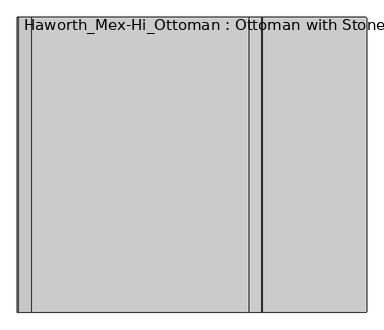
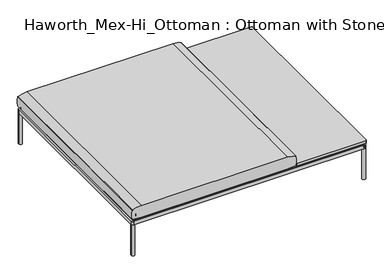
"""IFC4 building model written with IfcOpenShell, lengths in millimetres: furniture geometry, Haworth_Mex-Hi_Ottoman : Ottoman with Stone Top."""

from ifc_helpers import new_model, si_unit, point, frame, frame_2d, origin, origin_with_axes, place, context, project, spatial, polyline, circle_curve, trimmed, segment, composite_curve, outline, extrude, source, transform, mapped, element, save
from ifc_brep_helpers import plane_surface, cylinder_surface, advanced_brep


def haworth_mex_hi_ottoman_ottoman_with_stone_top_fe8f8da9(model_context):
    return source(origin(), model_context, "Body", "SolidModel", [
        extrude(outline(composite_curve([segment(trimmed(circle_curve(frame_2d((492.2547118, 255.27)), 2.54), [point((492.2547118, 257.81))], [point((494.7947118, 255.27))], False, "CARTESIAN"), True, "CONTINUOUS"), segment(polyline([(494.7947118, 255.27), (494.7947118, -839.47)]), True, "CONTINUOUS"), segment(trimmed(circle_curve(frame_2d((492.2547118, -839.47)), 2.54), [point((494.7947118, -839.47))], [point((492.2547118, -842.01))], False, "CARTESIAN"), True, "CONTINUOUS"), segment(polyline([(492.2547118, -842.01), (108.7147118, -842.01)]), True, "CONTINUOUS"), segment(trimmed(circle_curve(frame_2d((108.7147118, -839.47)), 2.54), [point((108.7147118, -842.01))], [point((106.1747118, -839.47))], False, "CARTESIAN"), True, "CONTINUOUS"), segment(polyline([(106.1747118, -839.47), (106.1747118, 255.27)]), True, "CONTINUOUS"), segment(trimmed(circle_curve(frame_2d((108.7147118, 255.27)), 2.54), [point((106.1747118, 255.27))], [point((108.7147118, 257.81))], False, "CARTESIAN"), True, "CONTINUOUS"), segment(polyline([(108.7147118, 257.81), (492.2547118, 257.81)]), True, "CONTINUOUS")], self_intersect=False)), frame((0.0, 0.0, 210.5022953), z_axis=(0.0, 0.0, 1.0), x_axis=(1.0, 0.0, 0.0)), (0.0, 0.0, 1.0), 15.2403071),
        extrude(outline(composite_curve([segment(trimmed(circle_curve(frame_2d((196.9469907, 169.6010815)), 4.010989), [point((192.9360018, 169.6010815))], [point((200.9579797, 169.6010815))], False, "CARTESIAN"), True, "CONTINUOUS"), segment(trimmed(circle_curve(frame_2d((196.9469907, 169.6010815)), 4.010989), [point((200.9579797, 169.6010815))], [point((192.9360018, 169.6010815))], False, "CARTESIAN"), True, "CONTINUOUS")], self_intersect=False)), frame((0.0, 0.0, 170.7645404), z_axis=(0.0, 0.0, 1.0), x_axis=(1.0, 0.0, 0.0)), (0.0, 0.0, 1.0), 38.5977894),
        extrude(outline(composite_curve([segment(trimmed(circle_curve(frame_2d((-3.1055663, 169.5794929)), 4.010989), [point((-7.1165553, 169.5794929))], [point((0.9054227, 169.5794929))], False, "CARTESIAN"), True, "CONTINUOUS"), segment(trimmed(circle_curve(frame_2d((-3.1055663, 169.5794929)), 4.010989), [point((0.9054227, 169.5794929))], [point((-7.1165553, 169.5794929))], False, "CARTESIAN"), True, "CONTINUOUS")], self_intersect=False)), frame((0.0, 0.0, 170.7645404), z_axis=(0.0, 0.0, 1.0), x_axis=(1.0, 0.0, 0.0)), (0.0, 0.0, 1.0), 38.5977894),
        extrude(outline(composite_curve([segment(trimmed(circle_curve(frame_2d((-3.1055663, -754.4437022)), 4.010989), [point((-7.1165553, -754.4437022))], [point((0.9054227, -754.4437022))], False, "CARTESIAN"), True, "CONTINUOUS"), segment(trimmed(circle_curve(frame_2d((-3.1055663, -754.4437022)), 4.010989), [point((0.9054227, -754.4437022))], [point((-7.1165553, -754.4437022))], False, "CARTESIAN"), True, "CONTINUOUS")], self_intersect=False)), frame((0.0, 0.0, 170.7645404), z_axis=(0.0, 0.0, 1.0), x_axis=(1.0, 0.0, 0.0)), (0.0, 0.0, 1.0), 38.5977894),
        extrude(outline(composite_curve([segment(trimmed(circle_curve(frame_2d((196.9593077, -754.4437022)), 4.010989), [point((192.9483187, -754.4437022))], [point((200.9702967, -754.4437022))], False, "CARTESIAN"), True, "CONTINUOUS"), segment(trimmed(circle_curve(frame_2d((196.9593077, -754.4437022)), 4.010989), [point((200.9702967, -754.4437022))], [point((192.9483187, -754.4437022))], False, "CARTESIAN"), True, "CONTINUOUS")], self_intersect=False)), frame((0.0, 0.0, 170.7645404), z_axis=(0.0, 0.0, 1.0), x_axis=(1.0, 0.0, 0.0)), (0.0, 0.0, 1.0), 38.5977894),
        extrude(outline(composite_curve([segment(trimmed(circle_curve(frame_2d((196.9469907, -754.4095964)), 9.4611539), [point((187.4858368, -754.4095964))], [point((206.4081446, -754.4095964))], False, "CARTESIAN"), True, "CONTINUOUS"), segment(trimmed(circle_curve(frame_2d((196.9469907, -754.4095964)), 9.4611539), [point((206.4081446, -754.4095964))], [point((187.4858368, -754.4095964))], False, "CARTESIAN"), True, "CONTINUOUS")], self_intersect=False)), frame((0.0, 0.0, 200.6638055), z_axis=(0.0, 0.0, 1.0), x_axis=(1.0, 0.0, 0.0)), (0.0, 0.0, 1.0), 5.2496237),
        extrude(outline(composite_curve([segment(trimmed(circle_curve(frame_2d((-3.0530108, -754.3457503)), 9.4611539), [point((-12.5141647, -754.3457503))], [point((6.4081431, -754.3457503))], False, "CARTESIAN"), True, "CONTINUOUS"), segment(trimmed(circle_curve(frame_2d((-3.0530108, -754.3457503)), 9.4611539), [point((6.4081431, -754.3457503))], [point((-12.5141647, -754.3457503))], False, "CARTESIAN"), True, "CONTINUOUS")], self_intersect=False)), frame((0.0, 0.0, 200.6638055), z_axis=(0.0, 0.0, 1.0), x_axis=(1.0, 0.0, 0.0)), (0.0, 0.0, 1.0), 5.2496237),
        extrude(outline(composite_curve([segment(trimmed(circle_curve(frame_2d((-3.0530108, 169.6649276)), 9.4611539), [point((-12.5141647, 169.6649276))], [point((6.4081431, 169.6649276))], False, "CARTESIAN"), True, "CONTINUOUS"), segment(trimmed(circle_curve(frame_2d((-3.0530108, 169.6649276)), 9.4611539), [point((6.4081431, 169.6649276))], [point((-12.5141647, 169.6649276))], False, "CARTESIAN"), True, "CONTINUOUS")], self_intersect=False)), frame((0.0, 0.0, 200.6638055), z_axis=(0.0, 0.0, 1.0), x_axis=(1.0, 0.0, 0.0)), (0.0, 0.0, 1.0), 5.2496237),
        extrude(outline(composite_curve([segment(trimmed(circle_curve(frame_2d((196.9469907, 169.6649276)), 9.4611539), [point((187.4858368, 169.6649276))], [point((206.4081446, 169.6649276))], False, "CARTESIAN"), True, "CONTINUOUS"), segment(trimmed(circle_curve(frame_2d((196.9469907, 169.6649276)), 9.4611539), [point((206.4081446, 169.6649276))], [point((187.4858368, 169.6649276))], False, "CARTESIAN"), True, "CONTINUOUS")], self_intersect=False)), frame((0.0, 0.0, 200.6638055), z_axis=(0.0, 0.0, 1.0), x_axis=(1.0, 0.0, 0.0)), (0.0, 0.0, 1.0), 5.2496237),
        extrude(outline(composite_curve([segment(trimmed(circle_curve(frame_2d((196.9469907, -754.4095964)), 9.4611539), [point((187.4858368, -754.4095964))], [point((206.4081446, -754.4095964))], False, "CARTESIAN"), True, "CONTINUOUS"), segment(trimmed(circle_curve(frame_2d((196.9469907, -754.4095964)), 9.4611539), [point((206.4081446, -754.4095964))], [point((187.4858368, -754.4095964))], False, "CARTESIAN"), True, "CONTINUOUS")], self_intersect=False)), frame((0.0, 0.0, 175.5804905), z_axis=(0.0, 0.0, 1.0), x_axis=(1.0, 0.0, 0.0)), (0.0, 0.0, 1.0), 5.2496237),
        extrude(outline(composite_curve([segment(trimmed(circle_curve(frame_2d((-3.0530108, -754.3457503)), 9.4611539), [point((-12.5141647, -754.3457503))], [point((6.4081431, -754.3457503))], False, "CARTESIAN"), True, "CONTINUOUS"), segment(trimmed(circle_curve(frame_2d((-3.0530108, -754.3457503)), 9.4611539), [point((6.4081431, -754.3457503))], [point((-12.5141647, -754.3457503))], False, "CARTESIAN"), True, "CONTINUOUS")], self_intersect=False)), frame((0.0, 0.0, 175.5804905), z_axis=(0.0, 0.0, 1.0), x_axis=(1.0, 0.0, 0.0)), (0.0, 0.0, 1.0), 5.2496237),
        extrude(outline(composite_curve([segment(trimmed(circle_curve(frame_2d((-3.0530108, 169.6649276)), 9.4611539), [point((-12.5141647, 169.6649276))], [point((6.4081431, 169.6649276))], False, "CARTESIAN"), True, "CONTINUOUS"), segment(trimmed(circle_curve(frame_2d((-3.0530108, 169.6649276)), 9.4611539), [point((6.4081431, 169.6649276))], [point((-12.5141647, 169.6649276))], False, "CARTESIAN"), True, "CONTINUOUS")], self_intersect=False)), frame((0.0, 0.0, 175.5804905), z_axis=(0.0, 0.0, 1.0), x_axis=(1.0, 0.0, 0.0)), (0.0, 0.0, 1.0), 5.2496237),
        extrude(outline(composite_curve([segment(trimmed(circle_curve(frame_2d((196.9469907, 169.6649276)), 9.4611539), [point((187.4858368, 169.6649276))], [point((206.4081446, 169.6649276))], False, "CARTESIAN"), True, "CONTINUOUS"), segment(trimmed(circle_curve(frame_2d((196.9469907, 169.6649276)), 9.4611539), [point((206.4081446, 169.6649276))], [point((187.4858368, 169.6649276))], False, "CARTESIAN"), True, "CONTINUOUS")], self_intersect=False)), frame((0.0, 0.0, 175.5804905), z_axis=(0.0, 0.0, 1.0), x_axis=(1.0, 0.0, 0.0)), (0.0, 0.0, 1.0), 5.2496237),
        extrude(outline(composite_curve([segment(trimmed(circle_curve(frame_2d((196.7916573, 122.4736534)), 36.0166924), [point((212.7435269, 154.7651382))], [point((180.8397877, 154.7651382))], True, "CARTESIAN"), True, "CONTINUOUS"), segment(trimmed(circle_curve(frame_2d((180.5081653, 155.6702968)), 0.9639946), [point((180.8397877, 154.7651382))], [point((179.7634816, 155.0581436))], False, "CARTESIAN"), True, "CONTINUOUS"), segment(trimmed(circle_curve(frame_2d((199.6873534, 171.4361863)), 25.79149), [point((179.7634816, 155.0581436))], [point((175.5416164, 162.3706285))], False, "CARTESIAN"), True, "CONTINUOUS"), segment(trimmed(circle_curve(frame_2d((176.4514144, 162.7122137)), 0.971809), [point((175.5416164, 162.3706285))], [point((175.9386844, 163.5377564))], False, "CARTESIAN"), True, "CONTINUOUS"), segment(trimmed(circle_curve(frame_2d((156.3690008, 193.1030042)), 35.4552732), [point((175.9386844, 163.5377564))], [point((191.7580983, 190.9377849))], True, "CARTESIAN"), True, "CONTINUOUS"), segment(trimmed(circle_curve(frame_2d((192.7780635, 190.8643155)), 1.0226079), [point((191.7580983, 190.9377849))], [point((192.5690953, 191.8653446))], False, "CARTESIAN"), True, "CONTINUOUS"), segment(trimmed(circle_curve(frame_2d((196.7916573, 171.6378378)), 20.6635442), [point((192.5690953, 191.8653446))], [point((201.0142193, 191.8653446))], False, "CARTESIAN"), True, "CONTINUOUS"), segment(trimmed(circle_curve(frame_2d((200.805337, 190.8647274)), 1.0221871), [point((201.0142193, 191.8653446))], [point((201.8248918, 190.9380379))], False, "CARTESIAN"), True, "CONTINUOUS"), segment(trimmed(circle_curve(frame_2d((237.9646471, 193.536646)), 36.2330605), [point((201.8248918, 190.9380379))], [point((217.6443089, 163.5380039))], True, "CARTESIAN"), True, "CONTINUOUS"), segment(trimmed(circle_curve(frame_2d((217.0702859, 162.6905815)), 1.0235365), [point((217.6443089, 163.5380039))], [point((218.045337, 162.3792898))], False, "CARTESIAN"), True, "CONTINUOUS"), segment(trimmed(circle_curve(frame_2d((194.579629, 171.0425348)), 25.0138214), [point((218.045337, 162.3792898))], [point((213.8150733, 155.0522582))], False, "CARTESIAN"), True, "CONTINUOUS"), segment(trimmed(circle_curve(frame_2d((213.115827, 155.518788)), 0.8405923), [point((213.8150733, 155.0522582))], [point((212.7435269, 154.7651382))], False, "CARTESIAN"), True, "CONTINUOUS")], self_intersect=False)), frame((0.0, 0.0, 165.7894444), z_axis=(0.0, 0.0, 1.0), x_axis=(1.0, 0.0, 0.0)), (0.0, 0.0, 1.0), 9.7910462),
        extrude(outline(composite_curve([segment(trimmed(circle_curve(frame_2d((-3.0530108, 122.2288136)), 36.0166924), [point((12.8988588, 154.5202984))], [point((-19.0048804, 154.5202984))], True, "CARTESIAN"), True, "CONTINUOUS"), segment(trimmed(circle_curve(frame_2d((-19.3365028, 155.425457)), 0.9639946), [point((-19.0048804, 154.5202984))], [point((-20.0811865, 154.8133038))], False, "CARTESIAN"), True, "CONTINUOUS"), segment(trimmed(circle_curve(frame_2d((-0.1573146, 171.1913465)), 25.79149), [point((-20.0811865, 154.8133038))], [point((-24.3030517, 162.1257887))], False, "CARTESIAN"), True, "CONTINUOUS"), segment(trimmed(circle_curve(frame_2d((-23.3932537, 162.4673739)), 0.971809), [point((-24.3030517, 162.1257887))], [point((-23.9059837, 163.2929166))], False, "CARTESIAN"), True, "CONTINUOUS"), segment(trimmed(circle_curve(frame_2d((-43.4756673, 192.8581644)), 35.4552732), [point((-23.9059837, 163.2929166))], [point((-8.0865698, 190.6929451))], True, "CARTESIAN"), True, "CONTINUOUS"), segment(trimmed(circle_curve(frame_2d((-7.0666045, 190.6194757)), 1.0226079), [point((-8.0865698, 190.6929451))], [point((-7.2755728, 191.6205048))], False, "CARTESIAN"), True, "CONTINUOUS"), segment(trimmed(circle_curve(frame_2d((-3.0530108, 171.392998)), 20.6635442), [point((-7.2755728, 191.6205048))], [point((1.1695512, 191.6205048))], False, "CARTESIAN"), True, "CONTINUOUS"), segment(trimmed(circle_curve(frame_2d((0.960669, 190.6198877)), 1.0221871), [point((1.1695512, 191.6205048))], [point((1.9802238, 190.6931981))], False, "CARTESIAN"), True, "CONTINUOUS"), segment(trimmed(circle_curve(frame_2d((38.119979, 193.2918062)), 36.2330605), [point((1.9802238, 190.6931981))], [point((17.7996408, 163.2931641))], True, "CARTESIAN"), True, "CONTINUOUS"), segment(trimmed(circle_curve(frame_2d((17.2256179, 162.4457417)), 1.0235365), [point((17.7996408, 163.2931641))], [point((18.2006689, 162.13445))], False, "CARTESIAN"), True, "CONTINUOUS"), segment(trimmed(circle_curve(frame_2d((-5.265039, 170.797695)), 25.0138214), [point((18.2006689, 162.13445))], [point((13.9704052, 154.8074184))], False, "CARTESIAN"), True, "CONTINUOUS"), segment(trimmed(circle_curve(frame_2d((13.2711589, 155.2739482)), 0.8405923), [point((13.9704052, 154.8074184))], [point((12.8988588, 154.5202984))], False, "CARTESIAN"), True, "CONTINUOUS")], self_intersect=False)), frame((0.0, 0.0, 165.7894444), z_axis=(0.0, 0.0, 1.0), x_axis=(1.0, 0.0, 0.0)), (0.0, 0.0, 1.0), 9.7910462),
        extrude(outline(composite_curve([segment(trimmed(circle_curve(frame_2d((-3.0530108, -801.7818643)), 36.0166924), [point((12.8988588, -769.4903795))], [point((-19.0048804, -769.4903795))], True, "CARTESIAN"), True, "CONTINUOUS"), segment(trimmed(circle_curve(frame_2d((-19.3365028, -768.5852209)), 0.9639946), [point((-19.0048804, -769.4903795))], [point((-20.0811865, -769.1973741))], False, "CARTESIAN"), True, "CONTINUOUS"), segment(trimmed(circle_curve(frame_2d((-0.1573146, -752.8193314)), 25.79149), [point((-20.0811865, -769.1973741))], [point((-24.3030517, -761.8848892))], False, "CARTESIAN"), True, "CONTINUOUS"), segment(trimmed(circle_curve(frame_2d((-23.3932537, -761.543304)), 0.971809), [point((-24.3030517, -761.8848892))], [point((-23.9059837, -760.7177613))], False, "CARTESIAN"), True, "CONTINUOUS"), segment(trimmed(circle_curve(frame_2d((-43.4756673, -731.1525135)), 35.4552732), [point((-23.9059837, -760.7177613))], [point((-8.0865698, -733.3177328))], True, "CARTESIAN"), True, "CONTINUOUS"), segment(trimmed(circle_curve(frame_2d((-7.0666045, -733.3912022)), 1.0226079), [point((-8.0865698, -733.3177328))], [point((-7.2755728, -732.3901731))], False, "CARTESIAN"), True, "CONTINUOUS"), segment(trimmed(circle_curve(frame_2d((-3.0530108, -752.6176799)), 20.6635442), [point((-7.2755728, -732.3901731))], [point((1.1695512, -732.3901731))], False, "CARTESIAN"), True, "CONTINUOUS"), segment(trimmed(circle_curve(frame_2d((0.960669, -733.3907903)), 1.0221871), [point((1.1695512, -732.3901731))], [point((1.9802238, -733.3174798))], False, "CARTESIAN"), True, "CONTINUOUS"), segment(trimmed(circle_curve(frame_2d((38.119979, -730.7188717)), 36.2330605), [point((1.9802238, -733.3174798))], [point((17.7996408, -760.7175138))], True, "CARTESIAN"), True, "CONTINUOUS"), segment(trimmed(circle_curve(frame_2d((17.2256179, -761.5649362)), 1.0235365), [point((17.7996408, -760.7175138))], [point((18.2006689, -761.8762279))], False, "CARTESIAN"), True, "CONTINUOUS"), segment(trimmed(circle_curve(frame_2d((-5.265039, -753.2129829)), 25.0138214), [point((18.2006689, -761.8762279))], [point((13.9704052, -769.2032595))], False, "CARTESIAN"), True, "CONTINUOUS"), segment(trimmed(circle_curve(frame_2d((13.2711589, -768.7367297)), 0.8405923), [point((13.9704052, -769.2032595))], [point((12.8988588, -769.4903795))], False, "CARTESIAN"), True, "CONTINUOUS")], self_intersect=False)), frame((0.0, 0.0, 165.7894444), z_axis=(0.0, 0.0, 1.0), x_axis=(1.0, 0.0, 0.0)), (0.0, 0.0, 1.0), 9.7910462),
        extrude(outline(composite_curve([segment(trimmed(circle_curve(frame_2d((196.9469907, -801.7818643)), 36.0166924), [point((212.8988603, -769.4903795))], [point((180.9951211, -769.4903795))], True, "CARTESIAN"), True, "CONTINUOUS"), segment(trimmed(circle_curve(frame_2d((180.6634988, -768.5852209)), 0.9639946), [point((180.9951211, -769.4903795))], [point((179.918815, -769.1973741))], False, "CARTESIAN"), True, "CONTINUOUS"), segment(trimmed(circle_curve(frame_2d((199.8426869, -752.8193314)), 25.79149), [point((179.918815, -769.1973741))], [point((175.6969499, -761.8848892))], False, "CARTESIAN"), True, "CONTINUOUS"), segment(trimmed(circle_curve(frame_2d((176.6067478, -761.543304)), 0.971809), [point((175.6969499, -761.8848892))], [point((176.0940178, -760.7177613))], False, "CARTESIAN"), True, "CONTINUOUS"), segment(trimmed(circle_curve(frame_2d((156.5243342, -731.1525135)), 35.4552732), [point((176.0940178, -760.7177613))], [point((191.9134317, -733.3177328))], True, "CARTESIAN"), True, "CONTINUOUS"), segment(trimmed(circle_curve(frame_2d((192.933397, -733.3912022)), 1.0226079), [point((191.9134317, -733.3177328))], [point((192.7244287, -732.3901731))], False, "CARTESIAN"), True, "CONTINUOUS"), segment(trimmed(circle_curve(frame_2d((196.9469907, -752.6176799)), 20.6635442), [point((192.7244287, -732.3901731))], [point((201.1695528, -732.3901731))], False, "CARTESIAN"), True, "CONTINUOUS"), segment(trimmed(circle_curve(frame_2d((200.9606705, -733.3907903)), 1.0221871), [point((201.1695528, -732.3901731))], [point((201.9802253, -733.3174798))], False, "CARTESIAN"), True, "CONTINUOUS"), segment(trimmed(circle_curve(frame_2d((238.1199805, -730.7188717)), 36.2330605), [point((201.9802253, -733.3174798))], [point((217.7996423, -760.7175138))], True, "CARTESIAN"), True, "CONTINUOUS"), segment(trimmed(circle_curve(frame_2d((217.2256194, -761.5649362)), 1.0235365), [point((217.7996423, -760.7175138))], [point((218.2006704, -761.8762279))], False, "CARTESIAN"), True, "CONTINUOUS"), segment(trimmed(circle_curve(frame_2d((194.7349625, -753.2129829)), 25.0138214), [point((218.2006704, -761.8762279))], [point((213.9704067, -769.2032595))], False, "CARTESIAN"), True, "CONTINUOUS"), segment(trimmed(circle_curve(frame_2d((213.2711605, -768.7367297)), 0.8405923), [point((213.9704067, -769.2032595))], [point((212.8988603, -769.4903795))], False, "CARTESIAN"), True, "CONTINUOUS")], self_intersect=False)), frame((0.0, 0.0, 165.7894444), z_axis=(0.0, 0.0, 1.0), x_axis=(1.0, 0.0, 0.0)), (0.0, 0.0, 1.0), 9.7910462),
        extrude(outline(composite_curve([segment(trimmed(circle_curve(frame_2d((-793.7438099, 245.8600121)), 1.9413078), [point((-795.6851177, 245.8600121))], [point((-793.7438099, 247.8013198))], False, "CARTESIAN"), True, "CONTINUOUS"), segment(polyline([(-793.7438099, 247.8013198), (482.7909315, 247.8013198)]), True, "CONTINUOUS"), segment(trimmed(circle_curve(frame_2d((482.7909315, 245.7941911)), 2.0071288), [point((482.7909315, 247.8013198))], [point((484.7980603, 245.7941911))], False, "CARTESIAN"), True, "CONTINUOUS"), segment(polyline([(484.7980603, 245.7941911), (484.7980603, -830.0202885)]), True, "CONTINUOUS"), segment(trimmed(circle_curve(frame_2d((482.7963356, -830.0202885)), 2.0017246), [point((484.7980603, -830.0202885))], [point((482.7963356, -832.0220131))], False, "CARTESIAN"), True, "CONTINUOUS"), segment(polyline([(482.7963356, -832.0220131), (-793.6865391, -832.0220131)]), True, "CONTINUOUS"), segment(trimmed(circle_curve(frame_2d((-793.6865391, -830.0234345)), 1.9985786), [point((-793.6865391, -832.0220131))], [point((-795.6851177, -830.0234345))], False, "CARTESIAN"), True, "CONTINUOUS"), segment(polyline([(-795.6851177, -830.0234345), (-795.6851177, 245.8600121)]), True, "CONTINUOUS")], self_intersect=False)), frame((0.0, 0.0, 200.6639327), z_axis=(0.0, 0.0, 1.0), x_axis=(1.0, 0.0, 0.0)), (0.0, 0.0, 1.0), 8.6983971),
        extrude(outline(composite_curve([segment(trimmed(circle_curve(frame_2d((-734.5485908, -768.4918899)), 0.8405923), [point((-734.1762907, -769.2455397))], [point((-735.2478371, -768.9584197))], False, "CARTESIAN"), True, "CONTINUOUS"), segment(trimmed(circle_curve(frame_2d((-716.0123929, -752.9681431)), 25.0138214), [point((-735.2478371, -768.9584197))], [point((-739.4781008, -761.6313881))], False, "CARTESIAN"), True, "CONTINUOUS"), segment(trimmed(circle_curve(frame_2d((-738.5030497, -761.3200964)), 1.0235365), [point((-739.4781008, -761.6313881))], [point((-739.0770727, -760.472674))], False, "CARTESIAN"), True, "CONTINUOUS"), segment(trimmed(circle_curve(frame_2d((-759.3974109, -730.4740319)), 36.2330605), [point((-739.0770727, -760.472674))], [point((-723.2576556, -733.07264))], True, "CARTESIAN"), True, "CONTINUOUS"), segment(trimmed(circle_curve(frame_2d((-722.2381008, -733.1459505)), 1.0221871), [point((-723.2576556, -733.07264))], [point((-722.4469831, -732.1453333))], False, "CARTESIAN"), True, "CONTINUOUS"), segment(trimmed(circle_curve(frame_2d((-718.2244211, -752.3728401)), 20.6635442), [point((-722.4469831, -732.1453333))], [point((-714.0018591, -732.1453333))], False, "CARTESIAN"), True, "CONTINUOUS"), segment(trimmed(circle_curve(frame_2d((-714.2108273, -733.1463624)), 1.0226079), [point((-714.0018591, -732.1453333))], [point((-713.1908621, -733.072893))], False, "CARTESIAN"), True, "CONTINUOUS"), segment(trimmed(circle_curve(frame_2d((-677.8017646, -730.9076737)), 35.4552732), [point((-713.1908621, -733.072893))], [point((-697.3714482, -760.4729215))], True, "CARTESIAN"), True, "CONTINUOUS"), segment(trimmed(circle_curve(frame_2d((-697.8841782, -761.2984642)), 0.971809), [point((-697.3714482, -760.4729215))], [point((-696.9743802, -761.6400494))], False, "CARTESIAN"), True, "CONTINUOUS"), segment(trimmed(circle_curve(frame_2d((-721.1201172, -752.5744916)), 25.79149), [point((-696.9743802, -761.6400494))], [point((-701.1962454, -768.9525343))], False, "CARTESIAN"), True, "CONTINUOUS"), segment(trimmed(circle_curve(frame_2d((-701.9409291, -768.3403811)), 0.9639946), [point((-701.1962454, -768.9525343))], [point((-702.2725515, -769.2455397))], False, "CARTESIAN"), True, "CONTINUOUS"), segment(trimmed(circle_curve(frame_2d((-718.2244211, -801.5370245)), 36.0166924), [point((-702.2725515, -769.2455397))], [point((-734.1762907, -769.2455397))], True, "CARTESIAN"), True, "CONTINUOUS")], self_intersect=False)), frame((0.0, 0.0, 165.7894444), z_axis=(0.0, 0.0, 1.0), x_axis=(1.0, 0.0, 0.0)), (0.0, 0.0, 1.0), 9.7910462),
        extrude(outline(composite_curve([segment(trimmed(circle_curve(frame_2d((-718.2242758, -754.2455832)), 3.9922173), [point((-714.2320585, -754.2455832))], [point((-722.216493, -754.2455832))], False, "CARTESIAN"), True, "CONTINUOUS"), segment(trimmed(circle_curve(frame_2d((-718.2242758, -754.2455832)), 3.9922173), [point((-722.216493, -754.2455832))], [point((-714.2320585, -754.2455832))], False, "CARTESIAN"), True, "CONTINUOUS")], self_intersect=False)), frame((0.0, 0.0, 170.7645404), z_axis=(0.0, 0.0, 1.0), x_axis=(1.0, 0.0, 0.0)), (0.0, 0.0, 1.0), 38.5901772),
        extrude(outline(composite_curve([segment(trimmed(circle_curve(frame_2d((-718.2242758, -754.2455832)), 9.4525726), [point((-708.7717031, -754.2455832))], [point((-727.6768484, -754.2455832))], False, "CARTESIAN"), True, "CONTINUOUS"), segment(trimmed(circle_curve(frame_2d((-718.2242758, -754.2455832)), 9.4525726), [point((-727.6768484, -754.2455832))], [point((-708.7717031, -754.2455832))], False, "CARTESIAN"), True, "CONTINUOUS")], self_intersect=False)), frame((0.0, 0.0, 200.6639145), z_axis=(0.0, 0.0, 1.0), x_axis=(1.0, 0.0, 0.0)), (0.0, 0.0, 1.0), 5.0787766),
        extrude(outline(composite_curve([segment(trimmed(circle_curve(frame_2d((-718.2242758, -754.2455832)), 9.4525726), [point((-708.7717031, -754.2455832))], [point((-727.6768484, -754.2455832))], False, "CARTESIAN"), True, "CONTINUOUS"), segment(trimmed(circle_curve(frame_2d((-718.2242758, -754.2455832)), 9.4525726), [point((-727.6768484, -754.2455832))], [point((-708.7717031, -754.2455832))], False, "CARTESIAN"), True, "CONTINUOUS")], self_intersect=False)), frame((0.0, 0.0, 175.5804905), z_axis=(0.0, 0.0, 1.0), x_axis=(1.0, 0.0, 0.0)), (0.0, 0.0, 1.0), 5.0787766),
        extrude(outline(composite_curve([segment(trimmed(circle_curve(frame_2d((396.8166573, -801.5370245)), 36.0166924), [point((412.7685269, -769.2455397))], [point((380.8647877, -769.2455397))], True, "CARTESIAN"), True, "CONTINUOUS"), segment(trimmed(circle_curve(frame_2d((380.5331653, -768.3403811)), 0.9639946), [point((380.8647877, -769.2455397))], [point((379.7884816, -768.9525343))], False, "CARTESIAN"), True, "CONTINUOUS"), segment(trimmed(circle_curve(frame_2d((399.7123534, -752.5744916)), 25.79149), [point((379.7884816, -768.9525343))], [point((375.5666164, -761.6400494))], False, "CARTESIAN"), True, "CONTINUOUS"), segment(trimmed(circle_curve(frame_2d((376.4764144, -761.2984642)), 0.971809), [point((375.5666164, -761.6400494))], [point((375.9636844, -760.4729215))], False, "CARTESIAN"), True, "CONTINUOUS"), segment(trimmed(circle_curve(frame_2d((356.3940008, -730.9076737)), 35.4552732), [point((375.9636844, -760.4729215))], [point((391.7830983, -733.072893))], True, "CARTESIAN"), True, "CONTINUOUS"), segment(trimmed(circle_curve(frame_2d((392.8030635, -733.1463624)), 1.0226079), [point((391.7830983, -733.072893))], [point((392.5940953, -732.1453333))], False, "CARTESIAN"), True, "CONTINUOUS"), segment(trimmed(circle_curve(frame_2d((396.8166573, -752.3728401)), 20.6635442), [point((392.5940953, -732.1453333))], [point((401.0392193, -732.1453333))], False, "CARTESIAN"), True, "CONTINUOUS"), segment(trimmed(circle_curve(frame_2d((400.830337, -733.1459505)), 1.0221871), [point((401.0392193, -732.1453333))], [point((401.8498918, -733.07264))], False, "CARTESIAN"), True, "CONTINUOUS"), segment(trimmed(circle_curve(frame_2d((437.9896471, -730.4740319)), 36.2330605), [point((401.8498918, -733.07264))], [point((417.6693089, -760.472674))], True, "CARTESIAN"), True, "CONTINUOUS"), segment(trimmed(circle_curve(frame_2d((417.0952859, -761.3200964)), 1.0235365), [point((417.6693089, -760.472674))], [point((418.070337, -761.6313881))], False, "CARTESIAN"), True, "CONTINUOUS"), segment(trimmed(circle_curve(frame_2d((394.604629, -752.9681431)), 25.0138214), [point((418.070337, -761.6313881))], [point((413.8400733, -768.9584197))], False, "CARTESIAN"), True, "CONTINUOUS"), segment(trimmed(circle_curve(frame_2d((413.140827, -768.4918899)), 0.8405923), [point((413.8400733, -768.9584197))], [point((412.7685269, -769.2455397))], False, "CARTESIAN"), True, "CONTINUOUS")], self_intersect=False)), frame((0.0, 0.0, 165.7894444), z_axis=(0.0, 0.0, 1.0), x_axis=(1.0, 0.0, 0.0)), (0.0, 0.0, 1.0), 9.7910462),
        extrude(outline(composite_curve([segment(trimmed(circle_curve(frame_2d((396.816512, -754.2455832)), 3.9922173), [point((392.8242947, -754.2455832))], [point((400.8087292, -754.2455832))], False, "CARTESIAN"), True, "CONTINUOUS"), segment(trimmed(circle_curve(frame_2d((396.816512, -754.2455832)), 3.9922173), [point((400.8087292, -754.2455832))], [point((392.8242947, -754.2455832))], False, "CARTESIAN"), True, "CONTINUOUS")], self_intersect=False)), frame((0.0, 0.0, 170.7645404), z_axis=(0.0, 0.0, 1.0), x_axis=(1.0, 0.0, 0.0)), (0.0, 0.0, 1.0), 38.5901772),
        extrude(outline(composite_curve([segment(trimmed(circle_curve(frame_2d((396.816512, -754.2455832)), 9.4525726), [point((387.3639393, -754.2455832))], [point((406.2690846, -754.2455832))], False, "CARTESIAN"), True, "CONTINUOUS"), segment(trimmed(circle_curve(frame_2d((396.816512, -754.2455832)), 9.4525726), [point((406.2690846, -754.2455832))], [point((387.3639393, -754.2455832))], False, "CARTESIAN"), True, "CONTINUOUS")], self_intersect=False)), frame((0.0, 0.0, 200.6639145), z_axis=(0.0, 0.0, 1.0), x_axis=(1.0, 0.0, 0.0)), (0.0, 0.0, 1.0), 5.0787766),
        extrude(outline(composite_curve([segment(trimmed(circle_curve(frame_2d((396.816512, -754.2455832)), 9.4525726), [point((387.3639393, -754.2455832))], [point((406.2690846, -754.2455832))], False, "CARTESIAN"), True, "CONTINUOUS"), segment(trimmed(circle_curve(frame_2d((396.816512, -754.2455832)), 9.4525726), [point((406.2690846, -754.2455832))], [point((387.3639393, -754.2455832))], False, "CARTESIAN"), True, "CONTINUOUS")], self_intersect=False)), frame((0.0, 0.0, 175.5804905), z_axis=(0.0, 0.0, 1.0), x_axis=(1.0, 0.0, 0.0)), (0.0, 0.0, 1.0), 5.0787766),
        extrude(outline(composite_curve([segment(trimmed(circle_curve(frame_2d((-734.5485908, 155.518788)), 0.8405923), [point((-734.1762907, 154.7651382))], [point((-735.2478371, 155.0522582))], False, "CARTESIAN"), True, "CONTINUOUS"), segment(trimmed(circle_curve(frame_2d((-716.0123929, 171.0425348)), 25.0138214), [point((-735.2478371, 155.0522582))], [point((-739.4781008, 162.3792898))], False, "CARTESIAN"), True, "CONTINUOUS"), segment(trimmed(circle_curve(frame_2d((-738.5030497, 162.6905815)), 1.0235365), [point((-739.4781008, 162.3792898))], [point((-739.0770727, 163.5380039))], False, "CARTESIAN"), True, "CONTINUOUS"), segment(trimmed(circle_curve(frame_2d((-759.3974109, 193.536646)), 36.2330605), [point((-739.0770727, 163.5380039))], [point((-723.2576556, 190.9380379))], True, "CARTESIAN"), True, "CONTINUOUS"), segment(trimmed(circle_curve(frame_2d((-722.2381008, 190.8647274)), 1.0221871), [point((-723.2576556, 190.9380379))], [point((-722.4469831, 191.8653446))], False, "CARTESIAN"), True, "CONTINUOUS"), segment(trimmed(circle_curve(frame_2d((-718.2244211, 171.6378378)), 20.6635442), [point((-722.4469831, 191.8653446))], [point((-714.0018591, 191.8653446))], False, "CARTESIAN"), True, "CONTINUOUS"), segment(trimmed(circle_curve(frame_2d((-714.2108273, 190.8643155)), 1.0226079), [point((-714.0018591, 191.8653446))], [point((-713.1908621, 190.9377849))], False, "CARTESIAN"), True, "CONTINUOUS"), segment(trimmed(circle_curve(frame_2d((-677.8017646, 193.1030042)), 35.4552732), [point((-713.1908621, 190.9377849))], [point((-697.3714482, 163.5377564))], True, "CARTESIAN"), True, "CONTINUOUS"), segment(trimmed(circle_curve(frame_2d((-697.8841782, 162.7122137)), 0.971809), [point((-697.3714482, 163.5377564))], [point((-696.9743802, 162.3706285))], False, "CARTESIAN"), True, "CONTINUOUS"), segment(trimmed(circle_curve(frame_2d((-721.1201172, 171.4361863)), 25.79149), [point((-696.9743802, 162.3706285))], [point((-701.1962454, 155.0581436))], False, "CARTESIAN"), True, "CONTINUOUS"), segment(trimmed(circle_curve(frame_2d((-701.9409291, 155.6702968)), 0.9639946), [point((-701.1962454, 155.0581436))], [point((-702.2725515, 154.7651382))], False, "CARTESIAN"), True, "CONTINUOUS"), segment(trimmed(circle_curve(frame_2d((-718.2244211, 122.4736534)), 36.0166924), [point((-702.2725515, 154.7651382))], [point((-734.1762907, 154.7651382))], True, "CARTESIAN"), True, "CONTINUOUS")], self_intersect=False)), frame((0.0, 0.0, 165.7894444), z_axis=(0.0, 0.0, 1.0), x_axis=(1.0, 0.0, 0.0)), (0.0, 0.0, 1.0), 9.7910462),
        extrude(outline(composite_curve([segment(trimmed(circle_curve(frame_2d((-718.2242758, 169.7650947)), 3.9922173), [point((-714.2320585, 169.7650947))], [point((-722.216493, 169.7650947))], False, "CARTESIAN"), True, "CONTINUOUS"), segment(trimmed(circle_curve(frame_2d((-718.2242758, 169.7650947)), 3.9922173), [point((-722.216493, 169.7650947))], [point((-714.2320585, 169.7650947))], False, "CARTESIAN"), True, "CONTINUOUS")], self_intersect=False)), frame((0.0, 0.0, 170.7645404), z_axis=(0.0, 0.0, 1.0), x_axis=(1.0, 0.0, 0.0)), (0.0, 0.0, 1.0), 38.5901772),
        extrude(outline(composite_curve([segment(trimmed(circle_curve(frame_2d((-718.2242758, 169.7650947)), 9.4525726), [point((-708.7717031, 169.7650947))], [point((-727.6768484, 169.7650947))], False, "CARTESIAN"), True, "CONTINUOUS"), segment(trimmed(circle_curve(frame_2d((-718.2242758, 169.7650947)), 9.4525726), [point((-727.6768484, 169.7650947))], [point((-708.7717031, 169.7650947))], False, "CARTESIAN"), True, "CONTINUOUS")], self_intersect=False)), frame((0.0, 0.0, 200.6639145), z_axis=(0.0, 0.0, 1.0), x_axis=(1.0, 0.0, 0.0)), (0.0, 0.0, 1.0), 5.0787766),
        extrude(outline(composite_curve([segment(trimmed(circle_curve(frame_2d((-718.2242758, 169.7650947)), 9.4525726), [point((-708.7717031, 169.7650947))], [point((-727.6768484, 169.7650947))], False, "CARTESIAN"), True, "CONTINUOUS"), segment(trimmed(circle_curve(frame_2d((-718.2242758, 169.7650947)), 9.4525726), [point((-727.6768484, 169.7650947))], [point((-708.7717031, 169.7650947))], False, "CARTESIAN"), True, "CONTINUOUS")], self_intersect=False)), frame((0.0, 0.0, 175.5804905), z_axis=(0.0, 0.0, 1.0), x_axis=(1.0, 0.0, 0.0)), (0.0, 0.0, 1.0), 5.0787766),
        advanced_brep(
        [(387.3639393, 169.7650947, 180.6592671), (406.2690846, 169.7650947, 180.6592671), (400.8087292, 169.7650947, 180.6592671), (392.8242947, 169.7650947, 180.6592671), (387.3639393, 169.7650947, 175.5804905), (406.2690846, 169.7650947, 175.5804905), (392.8242947, 169.7650947, 175.5804905), (400.8087292, 169.7650947, 175.5804905), (387.3639393, 169.7650947, 205.742691), (406.2690846, 169.7650947, 205.742691), (400.8087292, 169.7650947, 205.742691), (392.8242947, 169.7650947, 205.742691), (387.3639393, 169.7650947, 200.6639145), (406.2690846, 169.7650947, 200.6639145), (392.8242947, 169.7650947, 200.6639145), (400.8087292, 169.7650947, 200.6639145), (392.8242947, 169.7650947, 209.3547176), (400.8087292, 169.7650947, 209.3547176), (392.8242947, 169.7650947, 170.7645404), (400.8087292, 169.7650947, 170.7645404)],
        [
            (0, 1, circle_curve(frame((396.816512, 169.7650947, 180.6592671), z_axis=(0.0, 0.0, 1.0), x_axis=(1.0, 0.0, 0.0)), 9.4525726)),
            (1, 0, circle_curve(frame((396.816512, 169.7650947, 180.6592671), z_axis=(0.0, 0.0, 1.0), x_axis=(1.0, 0.0, 0.0)), 9.4525726)),
            (2, 3, circle_curve(frame((396.816512, 169.7650947, 180.6592671), z_axis=(0.0, 0.0, -1.0), x_axis=(1.0, 0.0, 0.0)), 3.9922173)),
            (3, 2, circle_curve(frame((396.816512, 169.7650947, 180.6592671), z_axis=(0.0, 0.0, -1.0), x_axis=(1.0, 0.0, 0.0)), 3.9922173)),
            (4, 5, circle_curve(frame((396.816512, 169.7650947, 175.5804905), z_axis=(0.0, 0.0, -1.0), x_axis=(1.0, 0.0, 0.0)), 9.4525726)),
            (5, 4, circle_curve(frame((396.816512, 169.7650947, 175.5804905), z_axis=(0.0, 0.0, -1.0), x_axis=(1.0, 0.0, 0.0)), 9.4525726)),
            (6, 7, circle_curve(frame((396.816512, 169.7650947, 175.5804905), z_axis=(0.0, 0.0, 1.0), x_axis=(1.0, 0.0, 0.0)), 3.9922173)),
            (7, 6, circle_curve(frame((396.816512, 169.7650947, 175.5804905), z_axis=(0.0, 0.0, 1.0), x_axis=(1.0, 0.0, 0.0)), 3.9922173)),
            (0, 4),
            (5, 1),
            (8, 9, circle_curve(frame((396.816512, 169.7650947, 205.742691), z_axis=(0.0, 0.0, 1.0), x_axis=(1.0, 0.0, 0.0)), 9.4525726)),
            (9, 8, circle_curve(frame((396.816512, 169.7650947, 205.742691), z_axis=(0.0, 0.0, 1.0), x_axis=(1.0, 0.0, 0.0)), 9.4525726)),
            (10, 11, circle_curve(frame((396.816512, 169.7650947, 205.742691), z_axis=(0.0, 0.0, -1.0), x_axis=(1.0, 0.0, 0.0)), 3.9922173)),
            (11, 10, circle_curve(frame((396.816512, 169.7650947, 205.742691), z_axis=(0.0, 0.0, -1.0), x_axis=(1.0, 0.0, 0.0)), 3.9922173)),
            (12, 13, circle_curve(frame((396.816512, 169.7650947, 200.6639145), z_axis=(0.0, 0.0, -1.0), x_axis=(1.0, 0.0, 0.0)), 9.4525726)),
            (13, 12, circle_curve(frame((396.816512, 169.7650947, 200.6639145), z_axis=(0.0, 0.0, -1.0), x_axis=(1.0, 0.0, 0.0)), 9.4525726)),
            (14, 15, circle_curve(frame((396.816512, 169.7650947, 200.6639145), z_axis=(0.0, 0.0, 1.0), x_axis=(1.0, 0.0, 0.0)), 3.9922173)),
            (15, 14, circle_curve(frame((396.816512, 169.7650947, 200.6639145), z_axis=(0.0, 0.0, 1.0), x_axis=(1.0, 0.0, 0.0)), 3.9922173)),
            (8, 12),
            (13, 9),
            (16, 17, circle_curve(frame((396.816512, 169.7650947, 209.3547176), z_axis=(0.0, 0.0, 1.0), x_axis=(1.0, 0.0, 0.0)), 3.9922173)),
            (17, 16, circle_curve(frame((396.816512, 169.7650947, 209.3547176), z_axis=(0.0, 0.0, 1.0), x_axis=(1.0, 0.0, 0.0)), 3.9922173)),
            (18, 19, circle_curve(frame((396.816512, 169.7650947, 170.7645404), z_axis=(0.0, 0.0, -1.0), x_axis=(1.0, 0.0, 0.0)), 3.9922173)),
            (19, 18, circle_curve(frame((396.816512, 169.7650947, 170.7645404), z_axis=(0.0, 0.0, -1.0), x_axis=(1.0, 0.0, 0.0)), 3.9922173)),
            (16, 11),
            (10, 17),
            (19, 7),
            (6, 18),
            (14, 3),
            (2, 15),
        ],
        [
            plane_surface(frame((406.2690846, 169.7650947, 180.6592671), z_axis=(0.0, 0.0, 1.0), x_axis=(0.0, 1.0, 0.0))),
            plane_surface(frame((406.2690846, 169.7650947, 175.5804905), z_axis=(0.0, 0.0, -1.0), x_axis=(0.0, -1.0, 0.0))),
            cylinder_surface(frame((396.816512, 169.7650947, 175.5804905), z_axis=(0.0, 0.0, 1.0), x_axis=(1.0, 0.0, 0.0)), 9.4525726),
            plane_surface(frame((406.2690846, 169.7650947, 205.742691), z_axis=(0.0, 0.0, 1.0), x_axis=(0.0, 1.0, 0.0))),
            plane_surface(frame((406.2690846, 169.7650947, 200.6639145), z_axis=(0.0, 0.0, -1.0), x_axis=(0.0, -1.0, 0.0))),
            cylinder_surface(frame((396.816512, 169.7650947, 200.6639145), z_axis=(0.0, 0.0, 1.0), x_axis=(1.0, 0.0, 0.0)), 9.4525726),
            plane_surface(frame((400.8087292, 169.7650947, 209.3547176), z_axis=(0.0, 0.0, 1.0), x_axis=(0.0, 1.0, 0.0))),
            plane_surface(frame((400.8087292, 169.7650947, 170.7645404), z_axis=(0.0, 0.0, -1.0), x_axis=(0.0, -1.0, 0.0))),
            cylinder_surface(frame((396.816512, 169.7650947, 170.7645404), z_axis=(0.0, 0.0, 1.0), x_axis=(1.0, 0.0, 0.0)), 3.9922173),
        ],
        [
            (0, [[1, 2], [3, 4]]),
            (1, [[5, 6], [7, 8]]),
            (2, [[-1, 9, -6, 10]]),
            (2, [[-2, -10, -5, -9]]),
            (3, [[11, 12], [13, 14]]),
            (4, [[15, 16], [17, 18]]),
            (5, [[-11, 19, -16, 20]]),
            (5, [[-12, -20, -15, -19]]),
            (6, [[21, 22]]),
            (7, [[23, 24]]),
            (8, [[-21, 25, -13, 26]]),
            (8, [[-24, 27, -7, 28]]),
            (8, [[29, -3, 30, -17]]),
            (8, [[-22, -26, -14, -25]]),
            (8, [[-23, -28, -8, -27]]),
            (8, [[-29, -18, -30, -4]]),
        ],
    ),
        extrude(outline(composite_curve([segment(trimmed(circle_curve(frame_2d((396.8166573, 122.4736534)), 36.0166924), [point((412.7685269, 154.7651382))], [point((380.8647877, 154.7651382))], True, "CARTESIAN"), True, "CONTINUOUS"), segment(trimmed(circle_curve(frame_2d((380.5331653, 155.6702968)), 0.9639946), [point((380.8647877, 154.7651382))], [point((379.7884816, 155.0581436))], False, "CARTESIAN"), True, "CONTINUOUS"), segment(trimmed(circle_curve(frame_2d((399.7123534, 171.4361863)), 25.79149), [point((379.7884816, 155.0581436))], [point((375.5666164, 162.3706285))], False, "CARTESIAN"), True, "CONTINUOUS"), segment(trimmed(circle_curve(frame_2d((376.4764144, 162.7122137)), 0.971809), [point((375.5666164, 162.3706285))], [point((375.9636844, 163.5377564))], False, "CARTESIAN"), True, "CONTINUOUS"), segment(trimmed(circle_curve(frame_2d((356.3940008, 193.1030042)), 35.4552732), [point((375.9636844, 163.5377564))], [point((391.7830983, 190.9377849))], True, "CARTESIAN"), True, "CONTINUOUS"), segment(trimmed(circle_curve(frame_2d((392.8030635, 190.8643155)), 1.0226079), [point((391.7830983, 190.9377849))], [point((392.5940953, 191.8653446))], False, "CARTESIAN"), True, "CONTINUOUS"), segment(trimmed(circle_curve(frame_2d((396.8166573, 171.6378378)), 20.6635442), [point((392.5940953, 191.8653446))], [point((401.0392193, 191.8653446))], False, "CARTESIAN"), True, "CONTINUOUS"), segment(trimmed(circle_curve(frame_2d((400.830337, 190.8647274)), 1.0221871), [point((401.0392193, 191.8653446))], [point((401.8498918, 190.9380379))], False, "CARTESIAN"), True, "CONTINUOUS"), segment(trimmed(circle_curve(frame_2d((437.9896471, 193.536646)), 36.2330605), [point((401.8498918, 190.9380379))], [point((417.6693089, 163.5380039))], True, "CARTESIAN"), True, "CONTINUOUS"), segment(trimmed(circle_curve(frame_2d((417.0952859, 162.6905815)), 1.0235365), [point((417.6693089, 163.5380039))], [point((418.070337, 162.3792898))], False, "CARTESIAN"), True, "CONTINUOUS"), segment(trimmed(circle_curve(frame_2d((394.604629, 171.0425348)), 25.0138214), [point((418.070337, 162.3792898))], [point((413.8400733, 155.0522582))], False, "CARTESIAN"), True, "CONTINUOUS"), segment(trimmed(circle_curve(frame_2d((413.140827, 155.518788)), 0.8405923), [point((413.8400733, 155.0522582))], [point((412.7685269, 154.7651382))], False, "CARTESIAN"), True, "CONTINUOUS")], self_intersect=False)), frame((0.0, 0.0, 165.7894444), z_axis=(0.0, 0.0, 1.0), x_axis=(1.0, 0.0, 0.0)), (0.0, 0.0, 1.0), 9.7910462),
        extrude(outline(polyline([(454.7958218, -738.9854681), (454.7958218, -769.2455397), (-765.6834606, -769.2455397), (-765.6834606, -738.9854681), (454.7958218, -738.9854681)])), frame((0.0, 0.0, 182.5080096), z_axis=(0.0, 0.0, 1.0), x_axis=(1.0, 0.0, 0.0)), (0.0, 0.0, 1.0), 18.1559049),
        extrude(outline(polyline([(454.7958218, -537.2533049), (454.7958218, -567.5133765), (-765.6834606, -567.5133765), (-765.6834606, -537.2533049), (454.7958218, -537.2533049)])), frame((0.0, 0.0, 182.5080096), z_axis=(0.0, 0.0, 1.0), x_axis=(1.0, 0.0, 0.0)), (0.0, 0.0, 1.0), 18.1559049),
        extrude(outline(polyline([(454.7958218, -335.4707087), (454.7958218, -365.7307803), (-765.6834606, -365.7307803), (-765.6834606, -335.4707087), (454.7958218, -335.4707087)])), frame((0.0, 0.0, 182.5080096), z_axis=(0.0, 0.0, 1.0), x_axis=(1.0, 0.0, 0.0)), (0.0, 0.0, 1.0), 18.1559049),
        extrude(outline(polyline([(454.7958218, 185.0252098), (454.7958218, 154.7651382), (-765.6834606, 154.7651382), (-765.6834606, 185.0252098), (454.7958218, 185.0252098)])), frame((0.0, 0.0, 182.5080096), z_axis=(0.0, 0.0, 1.0), x_axis=(1.0, 0.0, 0.0)), (0.0, 0.0, 1.0), 18.1559049),
        extrude(outline(polyline([(190.6386208, 160.3135818), (-774.9557372, 160.3137453), (-802.0272233, 176.9731213), (-802.0272233, 200.6601021), (-769.245576, 180.4867667), (185.0247737, 180.4866032), (217.8063484, 200.6598086), (217.8063484, 177.0397933), (190.6386208, 160.3135818)])), frame((-170.5782154, 0.0, 0.0), z_axis=(1.0, 0.0, 0.0), x_axis=(0.0, 1.0, 0.0)), (0.0, 0.0, 1.0), 30.2599248),
        extrude(outline(composite_curve([segment(trimmed(circle_curve(frame_2d((484.6347118, 247.65)), 10.16), [point((484.6347118, 257.81))], [point((494.7947118, 247.65))], False, "CARTESIAN"), True, "CONTINUOUS"), segment(polyline([(494.7947118, 247.65), (494.7947118, -831.85)]), True, "CONTINUOUS"), segment(trimmed(circle_curve(frame_2d((484.6347118, -831.85)), 10.16), [point((494.7947118, -831.85))], [point((484.6347118, -842.01))], False, "CARTESIAN"), True, "CONTINUOUS"), segment(polyline([(484.6347118, -842.01), (-795.5252882, -842.01)]), True, "CONTINUOUS"), segment(trimmed(circle_curve(frame_2d((-795.5252882, -831.85)), 10.16), [point((-795.5252882, -842.01))], [point((-805.6852882, -831.85))], False, "CARTESIAN"), True, "CONTINUOUS"), segment(polyline([(-805.6852882, -831.85), (-805.6852882, 247.65)]), True, "CONTINUOUS"), segment(trimmed(circle_curve(frame_2d((-795.5252882, 247.65)), 10.16), [point((-805.6852882, 247.65))], [point((-795.5252882, 257.81))], False, "CARTESIAN"), True, "CONTINUOUS"), segment(polyline([(-795.5252882, 257.81), (484.6347118, 257.81)]), True, "CONTINUOUS")], self_intersect=False), holes=[composite_curve([segment(polyline([(-793.6865391, -832.0220131), (482.7963356, -832.0220131)]), True, "CONTINUOUS"), segment(trimmed(circle_curve(frame_2d((482.7963356, -830.0202885)), 2.0017246), [point((482.7963356, -832.0220131))], [point((484.7980603, -830.0202885))], True, "CARTESIAN"), True, "CONTINUOUS"), segment(polyline([(484.7980603, -830.0202885), (484.7980603, 245.7941911)]), True, "CONTINUOUS"), segment(trimmed(circle_curve(frame_2d((482.7909315, 245.7941911)), 2.0071288), [point((484.7980603, 245.7941911))], [point((482.7909315, 247.8013198))], True, "CARTESIAN"), True, "CONTINUOUS"), segment(polyline([(482.7909315, 247.8013198), (-793.7438099, 247.8013198)]), True, "CONTINUOUS"), segment(trimmed(circle_curve(frame_2d((-793.7438099, 245.8600121)), 1.9413078), [point((-793.7438099, 247.8013198))], [point((-795.6851177, 245.8600121))], True, "CARTESIAN"), True, "CONTINUOUS"), segment(polyline([(-795.6851177, 245.8600121), (-795.6851177, -830.0234345)]), True, "CONTINUOUS"), segment(trimmed(circle_curve(frame_2d((-793.6865391, -830.0234345)), 1.9985786), [point((-795.6851177, -830.0234345))], [point((-793.6865391, -832.0220131))], True, "CARTESIAN"), True, "CONTINUOUS")], self_intersect=False)]), frame((0.0, 0.0, 180.8301142), z_axis=(0.0, 0.0, 1.0), x_axis=(1.0, 0.0, 0.0)), (0.0, 0.0, 1.0), 19.8338184),
        extrude(outline(composite_curve([segment(polyline([(482.8193838, -831.0234549), (-793.6852152, -831.0234549)]), True, "CONTINUOUS"), segment(trimmed(circle_curve(frame_2d((-793.6852152, -830.022038)), 1.0014169), [point((-793.6852152, -831.0234549))], [point((-794.6866321, -830.022038))], False, "CARTESIAN"), True, "CONTINUOUS"), segment(polyline([(-794.6866321, -830.022038), (-794.6866321, 245.7403667)]), True, "CONTINUOUS"), segment(trimmed(circle_curve(frame_2d((-793.6243099, 245.7403667)), 1.0623222), [point((-794.6866321, 245.7403667))], [point((-793.62431, 246.8026889))], False, "CARTESIAN"), True, "CONTINUOUS"), segment(polyline([(-793.62431, 246.8026889), (482.8079882, 246.8028345)]), True, "CONTINUOUS"), segment(trimmed(circle_curve(frame_2d((482.8079882, 245.811248)), 0.9915865), [point((482.8079882, 246.8028345))], [point((483.7995747, 245.811248))], False, "CARTESIAN"), True, "CONTINUOUS"), segment(polyline([(483.7995747, 245.811248), (483.7995747, -830.043264)]), True, "CONTINUOUS"), segment(trimmed(circle_curve(frame_2d((482.8193838, -830.043264)), 0.9801909), [point((483.7995747, -830.043264))], [point((482.8193838, -831.0234549))], False, "CARTESIAN"), True, "CONTINUOUS")], self_intersect=False), holes=[composite_curve([segment(polyline([(467.7876141, 232.8228736), (-778.6802636, 232.8228736)]), True, "CONTINUOUS"), segment(trimmed(circle_curve(frame_2d((-778.6802636, 230.7964657)), 2.0264079), [point((-778.6802636, 232.8228736))], [point((-780.7066715, 230.7964657))], True, "CARTESIAN"), True, "CONTINUOUS"), segment(polyline([(-780.7066715, 230.7964657), (-780.7066715, -814.9889467)]), True, "CONTINUOUS"), segment(trimmed(circle_curve(frame_2d((-778.6520513, -814.9889467)), 2.0546202), [point((-780.7066715, -814.9889467))], [point((-778.652051, -817.0435669))], True, "CARTESIAN"), True, "CONTINUOUS"), segment(polyline([(-778.652051, -817.0435669), (467.8179778, -817.0437486)]), True, "CONTINUOUS"), segment(trimmed(circle_curve(frame_2d((467.8179778, -815.0418214)), 2.0019272), [point((467.8179778, -817.0437486))], [point((469.819905, -815.0418208))], True, "CARTESIAN"), True, "CONTINUOUS"), segment(polyline([(469.819905, -815.0418208), (469.8196141, 230.7908742)]), True, "CONTINUOUS"), segment(trimmed(circle_curve(frame_2d((467.7876141, 230.7908736)), 2.032), [point((469.8196141, 230.7908742))], [point((467.7876141, 232.8228736))], True, "CARTESIAN"), True, "CONTINUOUS")], self_intersect=False)]), frame((0.0, 0.0, 180.8301142), z_axis=(0.0, 0.0, 1.0), x_axis=(1.0, 0.0, 0.0)), (0.0, 0.0, 1.0), 19.8338184),
        extrude(outline(composite_curve([segment(trimmed(circle_curve(frame_2d((467.7876141, 230.7908736)), 2.032), [point((467.7876141, 232.8228736))], [point((469.8196141, 230.7908742))], False, "CARTESIAN"), True, "CONTINUOUS"), segment(polyline([(469.8196141, 230.7908742), (469.8199045, -815.0418208)]), True, "CONTINUOUS"), segment(trimmed(circle_curve(frame_2d((467.8179772, -815.0418214)), 2.0019272), [point((469.8199045, -815.0418208))], [point((467.8179775, -817.0437486))], False, "CARTESIAN"), True, "CONTINUOUS"), segment(polyline([(467.8179775, -817.0437486), (-778.652051, -817.0435669)]), True, "CONTINUOUS"), segment(trimmed(circle_curve(frame_2d((-778.6520507, -814.9889461)), 2.0546208), [point((-778.652051, -817.0435669))], [point((-780.7066715, -814.9889461))], False, "CARTESIAN"), True, "CONTINUOUS"), segment(polyline([(-780.7066715, -814.9889461), (-780.7066715, 230.7964657)]), True, "CONTINUOUS"), segment(trimmed(circle_curve(frame_2d((-778.6802636, 230.7964657)), 2.0264079), [point((-780.7066715, 230.7964657))], [point((-778.6802636, 232.8228736))], False, "CARTESIAN"), True, "CONTINUOUS"), segment(polyline([(-778.6802636, 232.8228736), (467.7876141, 232.8228736)]), True, "CONTINUOUS")], self_intersect=False), holes=[polyline([(-765.6831699, -802.0272233), (454.7961125, -802.026969), (454.7958218, 217.8060577), (-765.6831699, 217.8063484), (-765.6831699, -802.0272233)])]), frame((0.0, 0.0, 180.8301142), z_axis=(0.0, 0.0, 1.0), x_axis=(1.0, 0.0, 0.0)), (0.0, 0.0, 1.0), 19.8336913),
        extrude(outline(composite_curve([segment(trimmed(circle_curve(frame_2d((484.7983509, -832.0220858)), 9.92796), [point((474.8703909, -832.0220858))], [point((494.726311, -832.0220858))], False, "CARTESIAN"), True, "CONTINUOUS"), segment(trimmed(circle_curve(frame_2d((484.7983509, -832.0220858)), 9.92796), [point((494.726311, -832.0220858))], [point((474.8703909, -832.0220858))], False, "CARTESIAN"), True, "CONTINUOUS")], self_intersect=False)), origin_with_axes(), (0.0, 0.0, 1.0), 180.8301142),
        extrude(outline(composite_curve([segment(trimmed(circle_curve(frame_2d((-795.6889272, -832.0220858)), 9.92796), [point((-805.6168873, -832.0220858))], [point((-785.7609672, -832.0220858))], False, "CARTESIAN"), True, "CONTINUOUS"), segment(trimmed(circle_curve(frame_2d((-795.6889272, -832.0220858)), 9.92796), [point((-785.7609672, -832.0220858))], [point((-805.6168873, -832.0220858))], False, "CARTESIAN"), True, "CONTINUOUS")], self_intersect=False)), origin_with_axes(), (0.0, 0.0, 1.0), 180.8301142),
        extrude(outline(composite_curve([segment(trimmed(circle_curve(frame_2d((484.7983509, 247.8220858)), 9.92796), [point((474.8703909, 247.8220858))], [point((494.726311, 247.8220858))], False, "CARTESIAN"), True, "CONTINUOUS"), segment(trimmed(circle_curve(frame_2d((484.7983509, 247.8220858)), 9.92796), [point((494.726311, 247.8220858))], [point((474.8703909, 247.8220858))], False, "CARTESIAN"), True, "CONTINUOUS")], self_intersect=False)), origin_with_axes(), (0.0, 0.0, 1.0), 180.8301142),
        extrude(outline(composite_curve([segment(trimmed(circle_curve(frame_2d((-795.6889272, 247.8220858)), 9.92796), [point((-805.6168873, 247.8220858))], [point((-785.7609672, 247.8220858))], False, "CARTESIAN"), True, "CONTINUOUS"), segment(trimmed(circle_curve(frame_2d((-795.6889272, 247.8220858)), 9.92796), [point((-785.7609672, 247.8220858))], [point((-805.6168873, 247.8220858))], False, "CARTESIAN"), True, "CONTINUOUS")], self_intersect=False)), origin_with_axes(), (0.0, 0.0, 1.0), 180.8301142),
        extrude(outline(composite_curve([segment(trimmed(circle_curve(frame_2d((-7637.5367774, -349.6596241)), 7928.5707991), [point((280.6116145, 56.7403759))], [point((280.7713636, -752.9350883))], False, "CARTESIAN"), True, "CONTINUOUS"), segment(trimmed(circle_curve(frame_2d((117.3533085, -744.6122886)), 163.6298559), [point((280.7713636, -752.9350883))], [point((270.2241762, -802.9666162))], False, "CARTESIAN"), True, "CONTINUOUS"), segment(trimmed(circle_curve(frame_2d((269.450083, -802.671127)), 0.8285736), [point((270.2241762, -802.9666162))], [point((269.6330953, -803.4792363))], False, "CARTESIAN"), True, "CONTINUOUS"), segment(trimmed(circle_curve(frame_2d((242.4772343, -683.5697904)), 122.9459881), [point((269.6330953, -803.4792363))], [point((215.5228159, -803.5246791))], False, "CARTESIAN"), True, "CONTINUOUS"), segment(trimmed(circle_curve(frame_2d((215.7357015, -802.5772773)), 0.9710255), [point((215.5228159, -803.5246791))], [point((214.778623, -802.7412632))], False, "CARTESIAN"), True, "CONTINUOUS"), segment(trimmed(circle_curve(frame_2d((488.3212972, -755.872419)), 277.5288871), [point((214.778623, -802.7412632))], [point((210.806936, -758.7118691))], False, "CARTESIAN"), True, "CONTINUOUS"), segment(trimmed(circle_curve(frame_2d((40322.9521452, -348.2955049)), 40114.2447876), [point((210.806936, -758.7118691))], [point((210.7340006, 54.9294951))], False, "CARTESIAN"), True, "CONTINUOUS"), segment(trimmed(circle_curve(frame_2d((519.7262607, 51.8233741)), 309.0078717), [point((210.7340006, 54.9294951))], [point((214.8115305, 101.9519294))], False, "CARTESIAN"), True, "CONTINUOUS"), segment(trimmed(circle_curve(frame_2d((215.5084379, 101.8373565)), 0.7062627), [point((214.8115305, 101.9519294))], [point((215.3526207, 102.5262164))], False, "CARTESIAN"), True, "CONTINUOUS"), segment(trimmed(circle_curve(frame_2d((242.4772343, -17.3903018)), 122.9459881), [point((215.3526207, 102.5262164))], [point((269.5241255, 102.5437704))], False, "CARTESIAN"), True, "CONTINUOUS"), segment(trimmed(circle_curve(frame_2d((269.2865434, 101.4902599)), 1.0799674), [point((269.5241255, 102.5437704))], [point((270.2819442, 101.9091952))], False, "CARTESIAN"), True, "CONTINUOUS"), segment(trimmed(circle_curve(frame_2d((146.6193597, 49.8632059)), 134.1686246), [point((270.2819442, 101.9091952))], [point((280.6116145, 56.7403759))], False, "CARTESIAN"), True, "CONTINUOUS")], self_intersect=False)), frame((0.0, -842.01, 0.0), z_axis=(0.0, 1.0, 0.0), x_axis=(0.0, 0.0, 1.0)), (0.0, 0.0, 1.0), 1099.82),
    ])


if __name__ == "__main__":
    model = new_model("IFC4")
    model_context = context("Model", 3, world=origin())
    ifc_project = project(units=[si_unit("LENGTHUNIT", "METRE", prefix="MILLI")], contexts=[model_context])
    site = spatial("IfcSite", under=ifc_project)
    building = spatial("IfcBuilding", under=site)
    placement = place(None, origin())
    haworth_mex_hi_ottoman_ottoman_with_stone_top_shape = haworth_mex_hi_ottoman_ottoman_with_stone_top_fe8f8da9(model_context)
    element("IfcFurniture", 1, ObjectType="Haworth_Mex-Hi_Ottoman : Ottoman with Stone Top", at=placement, inside=building, context=model_context, shape_type="MappedRepresentation", body=[
        mapped(haworth_mex_hi_ottoman_ottoman_with_stone_top_shape, transform((0.0, 0.0, 0.0), x_axis=(1.0, 0.0, 0.0), y_axis=(0.0, 1.0, 0.0), z_axis=(0.0, 0.0, 1.0))),
    ])
    save(model, "model.ifc")
